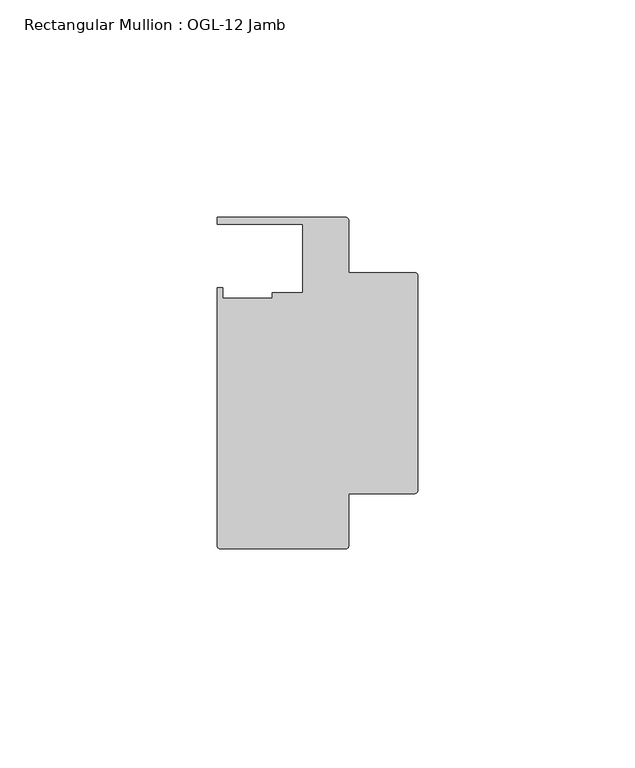
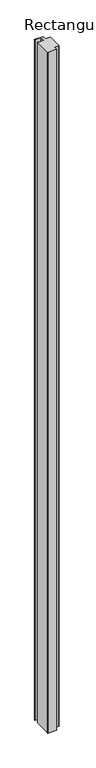
"""IFC4 building model written with IfcOpenShell, lengths in millimetres: member geometry, Rectangular Mullion : OGL-12 Jamb."""

from ifc_helpers import new_model, si_unit, point, frame, frame_2d, origin, place, context, project, spatial, polyline, circle_curve, trimmed, segment, composite_curve, outline, extrude, source, transform, mapped, element, save


def rectangular_mullion_ogl_12_jamb_5155ba15(model_context):
    return source(origin(), model_context, "Body", "SweptSolid", [
        extrude(outline(composite_curve([segment(polyline([(-0.5953125, -25.4), (-15.8750672, -25.4), (-15.8750672, -37.5043667)]), True, "CONTINUOUS"), segment(trimmed(circle_curve(frame_2d((-16.4703797, -37.5043667)), 0.5953125), [point((-15.8750672, -37.5043667))], [point((-16.4703797, -38.0996792))], False, "CARTESIAN"), True, "CONTINUOUS"), segment(polyline([(-16.4703797, -38.0996792), (-45.4386473, -38.0996792)]), True, "CONTINUOUS"), segment(trimmed(circle_curve(frame_2d((-45.4386473, -37.5043667)), 0.5953125), [point((-45.4386473, -38.0996792))], [point((-46.0339598, -37.5043667))], False, "CARTESIAN"), True, "CONTINUOUS"), segment(polyline([(-46.0339598, -37.5043667), (-46.0339598, 21.9710976), (-44.7780305, 21.9710976), (-44.7780305, 19.4824275), (-33.3985545, 19.4824275), (-33.3985545, 20.8257348), (-26.3720794, 20.8257348), (-26.3720794, 36.512516), (-46.0248655, 36.512516), (-46.0248655, 38.100016), (-16.4703797, 38.100016)]), True, "CONTINUOUS"), segment(trimmed(circle_curve(frame_2d((-16.4703797, 37.5047035)), 0.5953125), [point((-16.4703797, 38.100016))], [point((-15.8750672, 37.5047035))], False, "CARTESIAN"), True, "CONTINUOUS"), segment(polyline([(-15.8750672, 37.5047035), (-15.8750672, 25.4), (-0.5953125, 25.4)]), True, "CONTINUOUS"), segment(trimmed(circle_curve(frame_2d((-0.5953125, 24.8046875)), 0.5953125), [point((-0.5953125, 25.4))], [point((0.0, 24.8046875))], False, "CARTESIAN"), True, "CONTINUOUS"), segment(polyline([(0.0, 24.8046875), (0.0, -24.8046875)]), True, "CONTINUOUS"), segment(trimmed(circle_curve(frame_2d((-0.5953125, -24.8046875)), 0.5953125), [point((0.0, -24.8046875))], [point((-0.5953125, -25.4))], False, "CARTESIAN"), True, "CONTINUOUS")], self_intersect=False)), frame((0.0, 0.0, -2438.4), z_axis=(0.0, 0.0, 1.0), x_axis=(1.0, 0.0, 0.0)), (0.0, 0.0, 1.0), 2438.4),
    ])


if __name__ == "__main__":
    model = new_model("IFC4")
    model_context = context("Model", 3, world=origin())
    ifc_project = project(units=[si_unit("LENGTHUNIT", "METRE", prefix="MILLI")], contexts=[model_context])
    site = spatial("IfcSite", under=ifc_project)
    building = spatial("IfcBuilding", under=site)
    placement = place(None, origin())
    rectangular_mullion_ogl_12_jamb_shape = rectangular_mullion_ogl_12_jamb_5155ba15(model_context)
    element("IfcMember", 1, ObjectType="Rectangular Mullion : OGL-12 Jamb", at=placement, inside=building, context=model_context, shape_type="MappedRepresentation", body=[
        mapped(rectangular_mullion_ogl_12_jamb_shape, transform((0.0, 0.0, 0.0), x_axis=(1.0, 0.0, 0.0), y_axis=(0.0, 1.0, 0.0), z_axis=(0.0, 0.0, 1.0))),
    ])
    save(model, "model.ifc")
